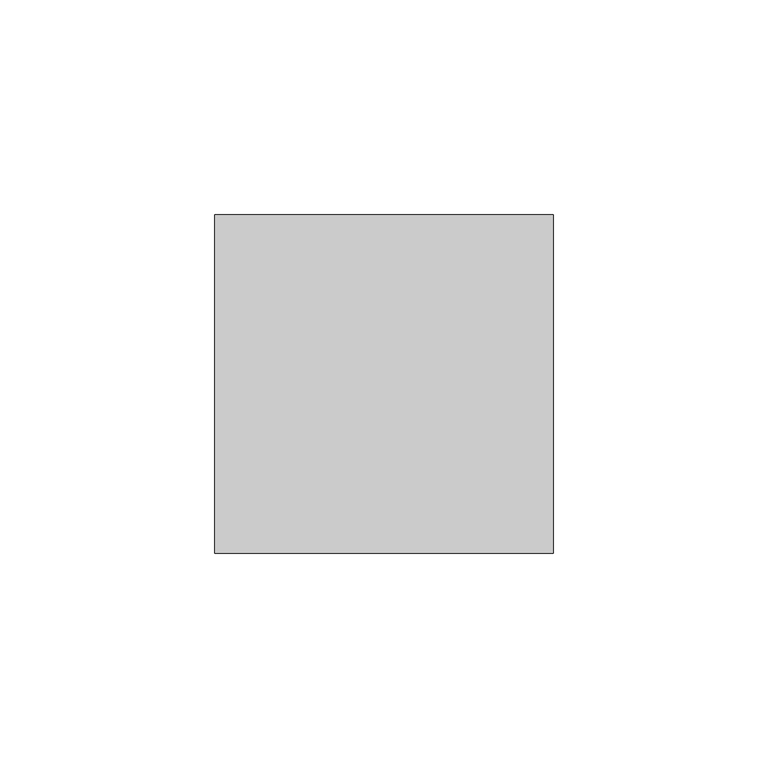
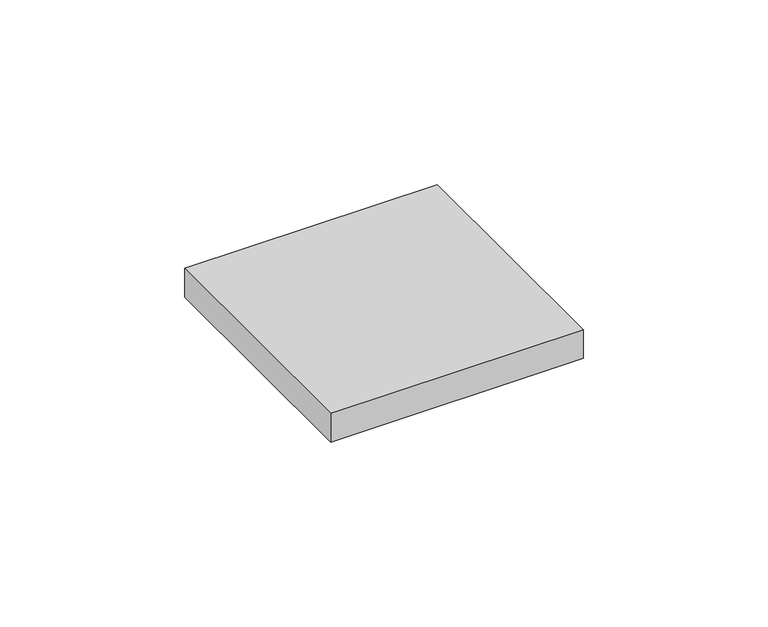
"""IFC4 building model written with IfcOpenShell, lengths in millimetres: furniture geometry."""

import ifcopenshell
import ifcopenshell.guid

model = None  # the IFC model being written
_history = None  # IfcOwnerHistory: only IFC2X3 demands one
_inside = {}  # id of a spatial element -> (the spatial element, [elements in it])
_under = {}  # id of a project, library or spatial element -> (it, [spatial elements below it])
_declared = {}  # id of a project -> (the project, [libraries it declares])
_typed = {}  # id of a type object -> (the type object, [elements of that type])
_made_of = {}  # id of a material, layer set ... -> (it, [elements and type objects made of it])


def new_model(schema):
    """Start an empty IFC model of exactly this schema.

    Asked for "IFC4X3", IfcOpenShell would pick the latest addendum, in which some entities
    have other attributes; the version numbers below select the first issue.
    IFC2X3 requires an IfcOwnerHistory on every rooted entity: one is made here for all.
    """
    global model, _history
    if schema == "IFC4X3":
        model = ifcopenshell.file(schema_version=(4, 3, 0, 0))
    else:
        model = ifcopenshell.file(schema=schema)
    _inside.clear()
    _under.clear()
    _declared.clear()
    _typed.clear()
    _made_of.clear()
    _history = None
    if model.schema == "IFC2X3":
        org = make("IfcOrganization", Name="unknown")
        user = make(
            "IfcPersonAndOrganization",
            ThePerson=make("IfcPerson", FamilyName="unknown"),
            TheOrganization=org,
        )
        app = make(
            "IfcApplication",
            ApplicationDeveloper=org,
            Version="unknown",
            ApplicationFullName="unknown",
            ApplicationIdentifier="unknown",
        )
        _history = make(
            "IfcOwnerHistory",
            OwningUser=user,
            OwningApplication=app,
            ChangeAction="ADDED",
            CreationDate=0,
        )
    return model


def make(cls, **values):
    """One entity of the class cls with the attributes given. An attribute that is None is left unset."""
    return model.create_entity(
        cls, **{name: value for name, value in values.items() if value is not None}
    )


def rooted(cls, **values):
    """An entity with a GlobalId (a new one), such as an element, a storey or a relation."""
    return make(cls, GlobalId=ifcopenshell.guid.new(), OwnerHistory=_history, **values)


def si_unit(unit_type, name, prefix=None):
    """IfcSIUnit, for example si_unit("LENGTHUNIT", "METRE", prefix="MILLI")."""
    return make("IfcSIUnit", UnitType=unit_type, Prefix=prefix, Name=name)


def assignment(units):
    """IfcUnitAssignment: the units of a project."""
    return None if units is None else make("IfcUnitAssignment", Units=units)


def point(xyz):
    """IfcCartesianPoint."""
    return None if xyz is None else make("IfcCartesianPoint", Coordinates=xyz)


def direction(xyz):
    """IfcDirection."""
    return None if xyz is None else make("IfcDirection", DirectionRatios=xyz)


def frame(location, z_axis=None, x_axis=None):
    """IfcAxis2Placement3D, a coordinate frame: its origin and axes. An axis left out is left unset."""
    return make(
        "IfcAxis2Placement3D",
        Location=point(location),
        Axis=direction(z_axis),
        RefDirection=direction(x_axis),
    )


def origin():
    """The frame at (0, 0, 0) with its axes left unset."""
    return frame((0.0, 0.0, 0.0))


def place(relative_to, where):
    """IfcLocalPlacement: puts the frame where relative to a parent placement (None: the world)."""
    return make(
        "IfcLocalPlacement", PlacementRelTo=relative_to, RelativePlacement=where
    )


def context(
    kind, dimensions, precision=None, world=None, true_north=None, identifier=None
):
    """IfcGeometricRepresentationContext, for example the 3D "Model" context."""
    return make(
        "IfcGeometricRepresentationContext",
        ContextIdentifier=identifier,
        ContextType=kind,
        CoordinateSpaceDimension=dimensions,
        Precision=precision,
        WorldCoordinateSystem=world,
        TrueNorth=true_north,
    )


def project(units=None, contexts=None):
    """IfcProject with its units and contexts."""
    return rooted(
        "IfcProject",
        Name="project",
        RepresentationContexts=contexts,
        UnitsInContext=assignment(units),
    )


def spatial(cls, under=None, at=None, **own):
    """A site, building, storey or space (cls), placed at a placement, below another one or the project."""
    s = rooted(cls, ObjectPlacement=at, **own)
    if under is not None:
        _under.setdefault(under.id(), (under, []))[1].append(s)
    return s


def polyline(points):
    """IfcPolyline through the points."""
    return make("IfcPolyline", Points=[point(p) for p in points])


def outline(outer, holes=None, kind="AREA"):
    """IfcArbitraryClosedProfileDef: a profile drawn as a closed curve; with holes, ...WithVoids."""
    if holes is None:
        return make("IfcArbitraryClosedProfileDef", ProfileType=kind, OuterCurve=outer)
    return make(
        "IfcArbitraryProfileDefWithVoids",
        ProfileType=kind,
        OuterCurve=outer,
        InnerCurves=holes,
    )


def extrude(swept, where, along, depth):
    """IfcExtrudedAreaSolid: the profile swept, set in the frame where, extruded along a direction by depth."""
    return make(
        "IfcExtrudedAreaSolid",
        SweptArea=swept,
        Position=where,
        ExtrudedDirection=direction(along),
        Depth=depth,
    )


def shape(context_of_items, identifier, shape_type, items):
    """IfcShapeRepresentation: the items that make up one representation, for example the "Body"."""
    return make(
        "IfcShapeRepresentation",
        ContextOfItems=context_of_items,
        RepresentationIdentifier=identifier,
        RepresentationType=shape_type,
        Items=items,
    )


def source(mapping_origin, context_of_items, identifier, shape_type, items):
    """IfcRepresentationMap: a shape defined once, which mapped items show again and again."""
    return make(
        "IfcRepresentationMap",
        MappingOrigin=mapping_origin,
        MappedRepresentation=shape(context_of_items, identifier, shape_type, items),
    )


def transform(
    local_origin,
    x_axis=None,
    y_axis=None,
    z_axis=None,
    scale=None,
    scale2=None,
    scale3=None,
    uniform=True,
):
    """IfcCartesianTransformationOperator3D, or its non-uniform kind. x_axis, y_axis, z_axis: its Axis1, 2, 3."""
    if uniform:
        return make(
            "IfcCartesianTransformationOperator3D",
            Axis1=direction(x_axis),
            Axis2=direction(y_axis),
            LocalOrigin=point(local_origin),
            Scale=scale,
            Axis3=direction(z_axis),
        )
    return make(
        "IfcCartesianTransformationOperator3DnonUniform",
        Axis1=direction(x_axis),
        Axis2=direction(y_axis),
        LocalOrigin=point(local_origin),
        Scale=scale,
        Axis3=direction(z_axis),
        Scale2=scale2,
        Scale3=scale3,
    )


def mapped(mapping_source, mapping_target):
    """IfcMappedItem: shows the shape of a source again, moved by a transform."""
    return make(
        "IfcMappedItem", MappingSource=mapping_source, MappingTarget=mapping_target
    )


def made_of(thing, what):
    """Note that an element or type object is made of a material, layer set ...; save() writes the relation."""
    if what is not None:
        _made_of.setdefault(what.id(), (what, []))[1].append(thing)
    return thing


def element(
    cls,
    number,
    at=None,
    inside=None,
    cuts=None,
    type_object=None,
    material=None,
    context=None,
    identifier="Body",
    shape_type=None,
    held_by="IfcProductDefinitionShape",
    body=None,
    shapes=None,
    **own,
):
    """One element of the class cls, such as IfcWall. Its Tag is "e" and its number.

    at: its placement. inside: the storey or other place that contains it. cuts: it is an
    opening in that element (IfcRelVoidsElement). A single representation is given by context,
    identifier, shape_type and body (its items); several are given by shapes. held_by: the class
    of the entity that holds the representations. save() writes the other relations.
    """
    e = rooted(cls, Tag="e%d" % number, ObjectPlacement=at, **own)
    if body is not None:
        shapes = [shape(context, identifier, shape_type, body)]
    if shapes is not None:
        e.Representation = make(held_by, Representations=shapes)
    if inside is not None:
        _inside.setdefault(inside.id(), (inside, []))[1].append(e)
    if cuts is not None:
        rooted(
            "IfcRelVoidsElement", RelatingBuildingElement=cuts, RelatedOpeningElement=e
        )
    if type_object is not None:
        _typed.setdefault(type_object.id(), (type_object, []))[1].append(e)
    return made_of(e, material)


def aggregate(whole, parts):
    """IfcRelAggregates: a whole, such as a stair, and the parts it consists of."""
    return rooted("IfcRelAggregates", RelatingObject=whole, RelatedObjects=parts)


def save(model, path):
    """Write the relations noted so far, then the file.

    IfcRelAggregates (storeys below a building ...), IfcRelContainedInSpatialStructure (elements
    in a storey), IfcRelDefinesByType, IfcRelAssociatesMaterial and IfcRelDeclares: one each for
    every whole, place, type object, material and project.
    """
    for whole, parts in _under.values():
        aggregate(whole, parts)
    for where, things in _inside.values():
        rooted(
            "IfcRelContainedInSpatialStructure",
            RelatedElements=things,
            RelatingStructure=where,
        )
    for kind, things in _typed.values():
        rooted("IfcRelDefinesByType", RelatedObjects=things, RelatingType=kind)
    for what, things in _made_of.values():
        rooted("IfcRelAssociatesMaterial", RelatedObjects=things, RelatingMaterial=what)
    for by, libraries in _declared.values():
        rooted("IfcRelDeclares", RelatingContext=by, RelatedDefinitions=libraries)
    model.write(path)


def furniture_b0562bc8(model_context):
    return source(origin(), model_context, "Body", "SweptSolid", [
        extrude(outline(polyline([(39.4890625, 39.4890625), (39.4890625, -39.4890625), (-39.4890625, -39.4890625), (-39.4890625, 39.4890625), (39.4890625, 39.4890625)])), frame((0.0, 0.0, 1150.3421875), z_axis=(0.0, 0.0, 1.0), x_axis=(1.0, 0.0, 0.0)), (0.0, 0.0, 1.0), 9.525),
    ])


if __name__ == "__main__":
    model = new_model("IFC4")
    model_context = context("Model", 3, world=origin())
    ifc_project = project(units=[si_unit("LENGTHUNIT", "METRE", prefix="MILLI")], contexts=[model_context])
    site = spatial("IfcSite", under=ifc_project)
    building = spatial("IfcBuilding", under=site)
    placement = place(None, origin())
    furniture_shape = furniture_b0562bc8(model_context)
    element("IfcFurniture", 1, at=placement, inside=building, context=model_context, shape_type="MappedRepresentation", body=[
        mapped(furniture_shape, transform((0.0, 0.0, 0.0), x_axis=(1.0, 0.0, 0.0), y_axis=(0.0, 1.0, 0.0), z_axis=(0.0, 0.0, 1.0))),
    ])
    save(model, "model.ifc")
